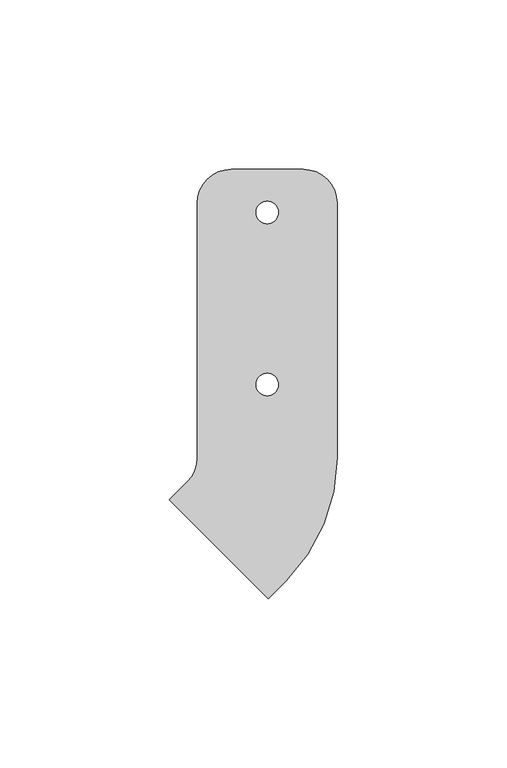
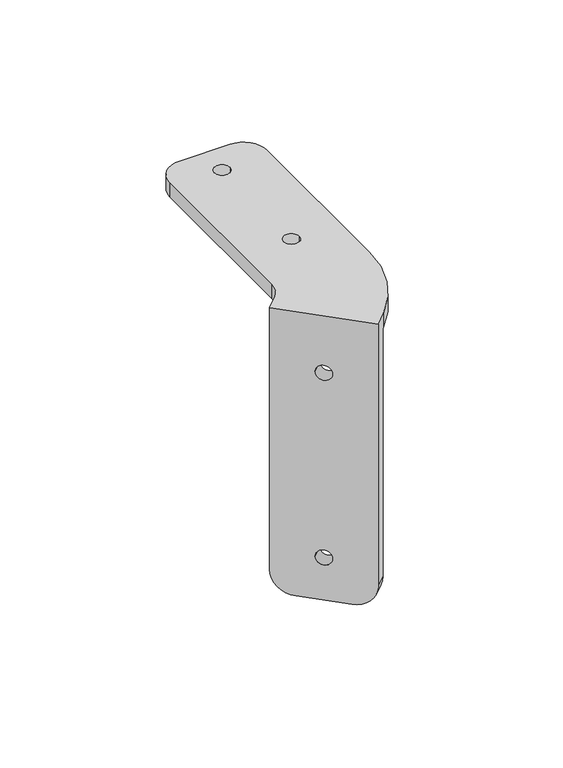
"""IFC4 building model written with IfcOpenShell, lengths in millimetres: proxy geometry."""

from ifc_helpers import new_model, si_unit, frame, origin, place, context, project, spatial, polyline, circle_curve, source, transform, mapped, element, save
from ifc_brep_helpers import plane_surface, cylinder_surface, revolved_surface, advanced_brep


def generic_models_a706ac8f(model_context):
    return source(origin(), model_context, "Body", "AdvancedBrep", [
        advanced_brep(
        [(-24.3784807, -7.8831163, -110.65), (-24.3784807, -7.8831163, 0.0), (4.8073517, -37.0689487, 0.0), (4.8073517, -37.0689487, -110.65), (-2.2637161, -29.9978809, -120.65), (-17.3074129, -14.9541841, -120.65), (-12.1204311, -20.1411659, -19.05), (-7.4506979, -24.8108991, -19.05), (-12.1204311, -20.1411659, -101.6), (-7.4506979, -24.8108991, -101.6), (-28.8686088, -12.3732444, -110.65), (-21.7975409, -19.4443122, -120.65), (-6.7538442, -34.488009, -120.65), (0.3172236, -41.5590768, -110.65), (0.3172236, -41.5590768, 6.35), (-28.8686088, -12.3732444, 6.35), (-16.6105592, -24.631294, -19.05), (-11.940826, -29.3010272, -19.05), (-16.6105592, -24.631294, -101.6), (-11.940826, -29.3010272, -101.6), (5.6194002, -36.2569002, 0.0), (5.6194002, -36.2569002, 6.35), (-23.5664322, -7.0710678, 6.35), (-23.5664322, -7.0710678, 0.0), (-20.6375, 0.0, 6.35), (20.6375, 0.0, 6.35), (20.6375, 75.09, 6.35), (10.6375, 85.09, 6.35), (-10.6375, 85.09, 6.35), (-20.6375, 75.09, 6.35), (-3.302, 72.39, 6.35), (3.302, 72.39, 6.35), (-3.302, 21.59, 6.35), (3.302, 21.59, 6.35), (-20.6375, 0.0, 0.0), (-20.6375, 75.09, 0.0), (-10.6375, 85.09, 0.0), (10.6375, 85.09, 0.0), (20.6375, 75.09, 0.0), (20.6375, 0.0, 0.0), (-3.302, 72.39, 0.0), (3.302, 72.39, 0.0), (-3.302, 21.59, 0.0), (3.302, 21.59, 0.0)],
        [
            (0, 1),
            (1, 2),
            (2, 3),
            (3, 4, circle_curve(frame((-2.2637161, -29.9978809, -110.65), z_axis=(0.7071067811865441, 0.7071067811865509, 0.0), x_axis=(0.7071067811865509, -0.7071067811865441, 0.0)), 10.0)),
            (4, 5),
            (5, 0, circle_curve(frame((-17.3074129, -14.9541841, -110.65), z_axis=(0.7071067811865441, 0.7071067811865509, 0.0), x_axis=(0.7071067811865509, -0.7071067811865441, 0.0)), 10.0)),
            (6, 7, circle_curve(frame((-9.7855645, -22.4760325, -19.05), z_axis=(-0.707106781186544, -0.707106781186551, 0.0), x_axis=(0.707106781186551, -0.707106781186544, 0.0)), 3.302)),
            (7, 6, circle_curve(frame((-9.7855645, -22.4760325, -19.05), z_axis=(-0.707106781186544, -0.707106781186551, 0.0), x_axis=(0.707106781186551, -0.707106781186544, 0.0)), 3.302)),
            (8, 9, circle_curve(frame((-9.7855645, -22.4760325, -101.6), z_axis=(-0.707106781186544, -0.707106781186551, 0.0), x_axis=(0.707106781186551, -0.707106781186544, 0.0)), 3.302)),
            (9, 8, circle_curve(frame((-9.7855645, -22.4760325, -101.6), z_axis=(-0.707106781186544, -0.707106781186551, 0.0), x_axis=(0.707106781186551, -0.707106781186544, 0.0)), 3.302)),
            (10, 11, circle_curve(frame((-21.7975409, -19.4443122, -110.65), z_axis=(-0.7071067811865441, -0.7071067811865509, 0.0), x_axis=(0.7071067811865509, -0.7071067811865441, 0.0)), 10.0)),
            (11, 12),
            (12, 13, circle_curve(frame((-6.7538442, -34.488009, -110.65), z_axis=(-0.7071067811865441, -0.7071067811865509, 0.0), x_axis=(0.7071067811865509, -0.7071067811865441, 0.0)), 10.0)),
            (13, 14),
            (14, 15),
            (15, 10),
            (16, 17, circle_curve(frame((-14.2756926, -26.9661606, -19.05), z_axis=(0.707106781186544, 0.707106781186551, 0.0), x_axis=(0.707106781186551, -0.707106781186544, 0.0)), 3.302)),
            (17, 16, circle_curve(frame((-14.2756926, -26.9661606, -19.05), z_axis=(0.707106781186544, 0.707106781186551, 0.0), x_axis=(0.707106781186551, -0.707106781186544, 0.0)), 3.302)),
            (18, 19, circle_curve(frame((-14.2756926, -26.9661606, -101.6), z_axis=(0.707106781186544, 0.707106781186551, 0.0), x_axis=(0.707106781186551, -0.707106781186544, 0.0)), 3.302)),
            (19, 18, circle_curve(frame((-14.2756926, -26.9661606, -101.6), z_axis=(0.707106781186544, 0.707106781186551, 0.0), x_axis=(0.707106781186551, -0.707106781186544, 0.0)), 3.302)),
            (5, 11),
            (10, 0),
            (4, 12),
            (3, 13),
            (2, 20),
            (20, 21),
            (21, 14),
            (15, 22),
            (22, 23),
            (23, 1),
            (7, 17),
            (16, 6),
            (9, 19),
            (18, 8),
            (24, 22, circle_curve(frame((-30.6375, 0.0, 6.35), z_axis=(0.0, 0.0, -1.0), x_axis=(-0.707106781186551, 0.707106781186544, 0.0)), 10.0)),
            (21, 25, circle_curve(frame((-30.6375, 0.0, 6.35), z_axis=(0.0, 0.0, 1.0), x_axis=(-0.707106781186551, 0.707106781186544, 0.0)), 51.275)),
            (25, 26),
            (26, 27, circle_curve(frame((10.6375, 75.09, 6.35), z_axis=(0.0, 0.0, 1.0), x_axis=(-0.707106781186551, 0.707106781186544, 0.0)), 10.0)),
            (27, 28),
            (28, 29, circle_curve(frame((-10.6375, 75.09, 6.35), z_axis=(0.0, 0.0, 1.0), x_axis=(-0.707106781186551, 0.707106781186544, 0.0)), 10.0)),
            (29, 24),
            (30, 31, circle_curve(frame((0.0, 72.39, 6.35), z_axis=(0.0, 0.0, -1.0), x_axis=(1.0, 0.0, 0.0)), 3.302)),
            (31, 30, circle_curve(frame((0.0, 72.39, 6.35), z_axis=(0.0, 0.0, -1.0), x_axis=(1.0, 0.0, 0.0)), 3.302)),
            (32, 33, circle_curve(frame((0.0, 21.59, 6.35), z_axis=(0.0, 0.0, -1.0), x_axis=(1.0, 0.0, 0.0)), 3.302)),
            (33, 32, circle_curve(frame((0.0, 21.59, 6.35), z_axis=(0.0, 0.0, -1.0), x_axis=(1.0, 0.0, 0.0)), 3.302)),
            (34, 35),
            (35, 36, circle_curve(frame((-10.6375, 75.09, 0.0), z_axis=(0.0, 0.0, -1.0), x_axis=(-0.707106781186551, 0.707106781186544, 0.0)), 10.0)),
            (36, 37),
            (37, 38, circle_curve(frame((10.6375, 75.09, 0.0), z_axis=(0.0, 0.0, -1.0), x_axis=(-0.707106781186551, 0.707106781186544, 0.0)), 10.0)),
            (38, 39),
            (39, 20, circle_curve(frame((-30.6375, 0.0, 0.0), z_axis=(0.0, 0.0, -1.0), x_axis=(-0.707106781186551, 0.707106781186544, 0.0)), 51.275)),
            (23, 34, circle_curve(frame((-30.6375, 0.0, 0.0), z_axis=(0.0, 0.0, 1.0), x_axis=(-0.707106781186551, 0.707106781186544, 0.0)), 10.0)),
            (40, 41, circle_curve(frame((0.0, 72.39, 0.0), z_axis=(0.0, 0.0, 1.0), x_axis=(1.0, 0.0, 0.0)), 3.302)),
            (41, 40, circle_curve(frame((0.0, 72.39, 0.0), z_axis=(0.0, 0.0, 1.0), x_axis=(1.0, 0.0, 0.0)), 3.302)),
            (42, 43, circle_curve(frame((0.0, 21.59, 0.0), z_axis=(0.0, 0.0, 1.0), x_axis=(1.0, 0.0, 0.0)), 3.302)),
            (43, 42, circle_curve(frame((0.0, 21.59, 0.0), z_axis=(0.0, 0.0, 1.0), x_axis=(1.0, 0.0, 0.0)), 3.302)),
            (24, 34),
            (39, 25),
            (38, 26),
            (37, 27),
            (36, 28),
            (35, 29),
            (30, 40),
            (41, 31),
            (32, 42),
            (43, 33),
        ],
        [
            plane_surface(frame((-10.2363451, -22.0252519, -110.65), z_axis=(0.707106781186544, 0.707106781186551, 0.0), x_axis=(0.0, 0.0, -1.0))),
            plane_surface(frame((-14.7264731, -26.51538, -110.65), z_axis=(-0.707106781186544, -0.707106781186551, 0.0), x_axis=(0.0, 0.0, 1.0))),
            cylinder_surface(frame((-17.3074129, -14.9541841, -110.65), z_axis=(-0.7071067811865441, -0.7071067811865509, 0.0), x_axis=(0.7071067811865509, -0.7071067811865441, 0.0)), 10.0),
            plane_surface(frame((-21.7975409, -19.4443122, -120.65), z_axis=(0.0, 0.0, -1.0), x_axis=(0.7071067811865442, 0.7071067811865509, 0.0))),
            cylinder_surface(frame((-2.2637161, -29.9978809, -110.65), z_axis=(-0.7071067811865441, -0.7071067811865509, 0.0), x_axis=(0.7071067811865509, -0.7071067811865441, 0.0)), 10.0),
            plane_surface(frame((0.3172236, -41.5590768, -110.65), z_axis=(0.707106781186551, -0.707106781186544, 0.0), x_axis=(0.707106781186544, 0.707106781186551, 0.0))),
            plane_surface(frame((-28.8686088, -12.3732444, 0.0), z_axis=(-0.7071067811865509, 0.7071067811865442, 0.0), x_axis=(0.7071067811865442, 0.7071067811865509, 0.0))),
            revolved_surface(polyline([(-7.450697908522019, -24.810899091477935, -19.05), (-11.94082600852202, -29.30102719147798, -19.05)]), (-14.2756926, -26.9661606, -19.05), (0.707106781186544, 0.707106781186551, 0.0)),
            revolved_surface(polyline([(-7.450697908522019, -24.810899091477935, -101.6), (-11.94082600852202, -29.30102719147798, -101.6)]), (-14.2756926, -26.9661606, -101.6), (0.707106781186544, 0.707106781186551, 0.0)),
            plane_surface(frame((-37.7085678, 7.0710678, 6.35), z_axis=(0.0, 0.0, 1.0), x_axis=(0.707106781186544, 0.707106781186551, 0.0))),
            plane_surface(frame((-37.7085678, 7.0710678, 0.0), z_axis=(0.0, 0.0, -1.0), x_axis=(-0.707106781186544, -0.707106781186551, 0.0))),
            revolved_surface(polyline([(-37.70856781186551, 7.07106781186544, 0.0), (-37.70856781186551, 7.07106781186544, 6.35)]), (-30.6375, 0.0, 0.0), (0.0, 0.0, -1.0)),
            cylinder_surface(frame((-30.6375, 0.0, 0.0), z_axis=(0.0, 0.0, 1.0), x_axis=(-0.707106781186551, 0.707106781186544, 0.0)), 51.275),
            plane_surface(frame((20.6375, 0.0, 6.35), z_axis=(1.0, 0.0, 0.0), x_axis=(0.0, 0.0, -1.0))),
            cylinder_surface(frame((10.6375, 75.09, 0.0), z_axis=(0.0, 0.0, 1.0), x_axis=(-0.707106781186551, 0.707106781186544, 0.0)), 10.0),
            plane_surface(frame((10.6375, 85.09, 6.35), z_axis=(0.0, 1.0, 0.0), x_axis=(0.0, 0.0, -1.0))),
            cylinder_surface(frame((-10.6375, 75.09, 0.0), z_axis=(0.0, 0.0, 1.0), x_axis=(-0.707106781186551, 0.707106781186544, 0.0)), 10.0),
            plane_surface(frame((-20.6375, 75.09, 6.35), z_axis=(-1.0, 0.0, 0.0), x_axis=(0.0, 0.0, -1.0))),
            revolved_surface(polyline([(3.302, 72.39, 0.0), (3.302, 72.39, 6.35)]), (0.0, 72.39, 0.0), (0.0, 0.0, -1.0)),
            revolved_surface(polyline([(3.302, 21.59, 0.0), (3.302, 21.59, 6.35)]), (0.0, 21.59, 0.0), (0.0, 0.0, -1.0)),
        ],
        [
            (0, [[1, 2, 3, 4, 5, 6], [7, 8], [9, 10]]),
            (1, [[11, 12, 13, 14, 15, 16], [17, 18], [19, 20]]),
            (2, [[-6, 21, -11, 22]]),
            (3, [[-5, 23, -12, -21]]),
            (4, [[-4, 24, -13, -23]]),
            (5, [[-3, 25, 26, 27, -14, -24]]),
            (6, [[-1, -22, -16, 28, 29, 30]]),
            (7, [[-8, 31, -17, 32]]),
            (7, [[-7, -32, -18, -31]]),
            (8, [[-10, 33, -19, 34]]),
            (8, [[-9, -34, -20, -33]]),
            (9, [[35, -28, -15, -27, 36, 37, 38, 39, 40, 41], [42, 43], [44, 45]]),
            (10, [[46, 47, 48, 49, 50, 51, -25, -2, -30, 52], [53, 54], [55, 56]]),
            (11, [[-35, 57, -52, -29]]),
            (12, [[-36, -26, -51, 58]]),
            (13, [[-37, -58, -50, 59]]),
            (14, [[-38, -59, -49, 60]]),
            (15, [[-39, -60, -48, 61]]),
            (16, [[-40, -61, -47, 62]]),
            (17, [[-41, -62, -46, -57]]),
            (18, [[-42, 63, -54, 64]]),
            (18, [[-43, -64, -53, -63]]),
            (19, [[-44, 65, -56, 66]]),
            (19, [[-45, -66, -55, -65]]),
        ],
    ),
    ])


if __name__ == "__main__":
    model = new_model("IFC4")
    model_context = context("Model", 3, world=origin())
    ifc_project = project(units=[si_unit("LENGTHUNIT", "METRE", prefix="MILLI")], contexts=[model_context])
    site = spatial("IfcSite", under=ifc_project)
    building = spatial("IfcBuilding", under=site)
    placement = place(None, origin())
    generic_models_shape = generic_models_a706ac8f(model_context)
    element("IfcBuildingElementProxy", 1, Name="Generic Models", at=placement, inside=building, context=model_context, shape_type="MappedRepresentation", body=[
        mapped(generic_models_shape, transform((0.0, 0.0, 0.0), x_axis=(1.0, 0.0, 0.0), y_axis=(0.0, 1.0, 0.0), z_axis=(0.0, 0.0, 1.0))),
    ])
    save(model, "model.ifc")
